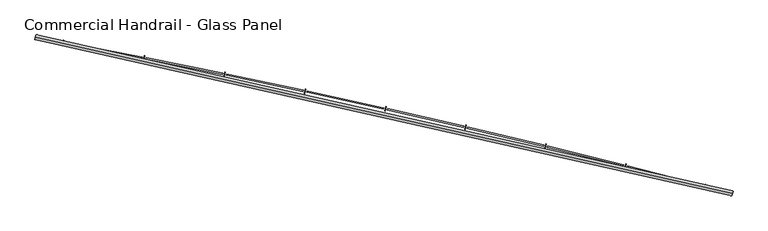
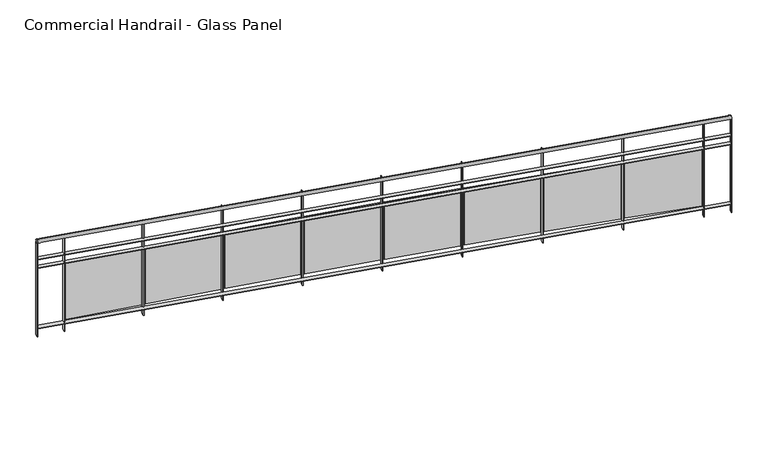
"""IFC4 building model written with IfcOpenShell, lengths in millimetres: railing geometry, Commercial Handrail - Glass Panel."""

from ifc_helpers import new_model, si_unit, point, frame, origin, place, context, project, spatial, polyline, circle_curve, ellipse_curve, trimmed, outline, extrude, source, transform, mapped, element, save
from ifc_brep_helpers import plane_surface, cylinder_surface, revolved_surface, advanced_brep


def commercial_handrail_glass_panel_b9d796ed(model_context):
    return source(origin(), model_context, "Body", "SolidModel", [
        advanced_brep(
        [(147529.5593555, -11171.1779597, 6082.5), (140754.7489821, -9648.612099, 6082.5), (140754.7489821, -9648.612099, 6117.5), (147529.5593555, -11171.1779597, 6117.5)],
        [
            (0, 1, circle_curve(frame((123990.1653691, -100078.2018552, 6082.5), z_axis=(0.0, 0.0, 1.0), x_axis=(0.18228230158229036, 0.9832462369772197, 0.0)), 91970.4407253)),
            (1, 2, ellipse_curve(frame((140754.7489821, -9648.612099, 6100.0), z_axis=(0.9832462369772187, -0.18228230158229697, 0.0), x_axis=(-0.18228230158229694, -0.9832462369772185, 0.0)), 25.0, 17.5)),
            (2, 3, circle_curve(frame((123990.1653691, -100078.2018552, 6117.5), z_axis=(0.0, 0.0, -1.0), x_axis=(0.18228230158229036, 0.9832462369772197, 0.0)), 91970.4407253)),
            (3, 0, ellipse_curve(frame((147529.5593555, -11171.1779597, 6100.0), z_axis=(-0.9666912890096803, 0.25594521240453605, 0.0), x_axis=(-0.255945212404536, -0.96669128900968, 0.0)), 25.0, 17.5)),
            (2, 1, ellipse_curve(frame((140754.7489821, -9648.612099, 6100.0), z_axis=(0.9832462369772187, -0.18228230158229697, 0.0), x_axis=(-0.18228230158229694, -0.9832462369772185, 0.0)), 25.0, 17.5)),
            (0, 3, ellipse_curve(frame((147529.5593555, -11171.1779597, 6100.0), z_axis=(-0.9666912890096803, 0.25594521240453605, 0.0), x_axis=(-0.255945212404536, -0.96669128900968, 0.0)), 25.0, 17.5)),
        ],
        [
            revolved_surface(trimmed(ellipse_curve(frame((140754.7489821, -9648.612099, 6100.0), z_axis=(-0.9832462369772197, 0.18228230158229036, 0.0), x_axis=(0.0, 0.0, -1.0)), 17.5, 25.0), [point((140754.7489821, -9648.612099, 6117.5))], [point((140754.7489821, -9648.612099, 6082.5))], True, "CARTESIAN"), (123990.1653691, -100078.2018552, 6100.0), (0.0, 0.0, -1.0)),
            revolved_surface(trimmed(ellipse_curve(frame((140754.7489821, -9648.612099, 6100.0), z_axis=(-0.9832462369772197, 0.18228230158229036, 0.0), x_axis=(0.0, 0.0, -1.0)), 17.5, 25.0), [point((140754.7489821, -9648.612099, 6082.5))], [point((140754.7489821, -9648.612099, 6117.5))], True, "CARTESIAN"), (123990.1653691, -100078.2018552, 6100.0), (0.0, 0.0, -1.0)),
            plane_surface(frame((140754.7489821, -9648.612099, 6100.0), z_axis=(-0.9832462369772198, 0.1822823015822904, 0.0), x_axis=(0.1822823015822904, 0.9832462369772198, 0.0))),
            plane_surface(frame((147529.5593555, -11171.1779597, 6100.0), z_axis=(0.9666912890096803, -0.25594521240453566, 0.0), x_axis=(0.25594521240453566, 0.9666912890096803, 0.0))),
        ],
        [
            (0, [[1, 2, 3, 4]]),
            (1, [[-3, 5, -1, 6]]),
            (2, [[-2, -5]]),
            (3, [[-6, -4]]),
        ],
    ),
        advanced_brep(
        [(147535.3181228, -11149.4274057, 5900.0), (140758.8503338, -9626.4890586, 5900.0), (140750.6476303, -9670.7351393, 5900.0), (147523.8005882, -11192.9285137, 5900.0), (147535.3181228, -11149.4274057, 5894.0), (140758.8503338, -9626.4890586, 5894.0), (147523.8005882, -11192.9285137, 5894.0), (140750.6476303, -9670.7351393, 5894.0)],
        [
            (0, 1, circle_curve(frame((123990.1653691, -100078.2018552, 5900.0), z_axis=(0.0, 0.0, 1.0), x_axis=(0.18228230158229036, 0.9832462369772197, 0.0)), 91992.9407253)),
            (1, 2),
            (2, 3, circle_curve(frame((123990.1653691, -100078.2018552, 5900.0), z_axis=(0.0, 0.0, -1.0), x_axis=(0.18228230158229036, 0.9832462369772197, 0.0)), 91947.9407253)),
            (3, 0),
            (4, 5, circle_curve(frame((123990.1653691, -100078.2018552, 5894.0), z_axis=(0.0, 0.0, 1.0), x_axis=(0.18228230158229036, 0.9832462369772197, 0.0)), 91992.9407253)),
            (5, 1),
            (0, 4),
            (6, 7, circle_curve(frame((123990.1653691, -100078.2018552, 5894.0), z_axis=(0.0, 0.0, 1.0), x_axis=(0.18228230158229036, 0.9832462369772197, 0.0)), 91947.9407253)),
            (7, 5),
            (4, 6),
            (2, 7),
            (6, 3),
        ],
        [
            plane_surface(frame((123990.1653691, -100078.2018552, 5900.0), z_axis=(0.0, 0.0, 1.0), x_axis=(0.18228230158229036, 0.9832462369772197, 0.0))),
            cylinder_surface(frame((123990.1653691, -100078.2018552, 5900.0), z_axis=(0.0, 0.0, -1.0), x_axis=(0.18228230158229036, 0.9832462369772197, 0.0)), 91992.9407253),
            plane_surface(frame((123990.1653691, -100078.2018552, 5894.0), z_axis=(0.0, 0.0, -1.0), x_axis=(0.18228230158229036, 0.9832462369772197, 0.0))),
            revolved_surface(polyline([(140750.6476302597, -9670.735139244323, 5894.0), (140750.6476302597, -9670.735139244323, 5900.0)]), (123990.1653691, -100078.2018552, 5900.0), (0.0, 0.0, -1.0)),
            plane_surface(frame((140754.7489821, -9648.612099, 5900.0), z_axis=(-0.9832462369772198, 0.1822823015822904, 0.0), x_axis=(0.1822823015822904, 0.9832462369772198, 0.0))),
            plane_surface(frame((147529.5593555, -11171.1779597, 5900.0), z_axis=(0.9666912890096803, -0.25594521240453566, 0.0), x_axis=(0.25594521240453566, 0.9666912890096803, 0.0))),
        ],
        [
            (0, [[1, 2, 3, 4]]),
            (1, [[5, 6, -1, 7]]),
            (2, [[8, 9, -5, 10]]),
            (3, [[-3, 11, -8, 12]]),
            (4, [[-2, -6, -9, -11]]),
            (5, [[-12, -10, -7, -4]]),
        ],
    ),
        advanced_brep(
        [(147535.3181228, -11149.4274057, 5800.0), (140758.8503338, -9626.4890586, 5800.0), (140750.6476303, -9670.7351393, 5800.0), (147523.8005882, -11192.9285137, 5800.0), (147535.3181228, -11149.4274057, 5794.0), (140758.8503338, -9626.4890586, 5794.0), (147523.8005882, -11192.9285137, 5794.0), (140750.6476303, -9670.7351393, 5794.0)],
        [
            (0, 1, circle_curve(frame((123990.1653691, -100078.2018552, 5800.0), z_axis=(0.0, 0.0, 1.0), x_axis=(0.18228230158229036, 0.9832462369772197, 0.0)), 91992.9407253)),
            (1, 2),
            (2, 3, circle_curve(frame((123990.1653691, -100078.2018552, 5800.0), z_axis=(0.0, 0.0, -1.0), x_axis=(0.18228230158229036, 0.9832462369772197, 0.0)), 91947.9407253)),
            (3, 0),
            (4, 5, circle_curve(frame((123990.1653691, -100078.2018552, 5794.0), z_axis=(0.0, 0.0, 1.0), x_axis=(0.18228230158229036, 0.9832462369772197, 0.0)), 91992.9407253)),
            (5, 1),
            (0, 4),
            (6, 7, circle_curve(frame((123990.1653691, -100078.2018552, 5794.0), z_axis=(0.0, 0.0, 1.0), x_axis=(0.18228230158229036, 0.9832462369772197, 0.0)), 91947.9407253)),
            (7, 5),
            (4, 6),
            (2, 7),
            (6, 3),
        ],
        [
            plane_surface(frame((123990.1653691, -100078.2018552, 5800.0), z_axis=(0.0, 0.0, 1.0), x_axis=(0.18228230158229036, 0.9832462369772197, 0.0))),
            cylinder_surface(frame((123990.1653691, -100078.2018552, 5800.0), z_axis=(0.0, 0.0, -1.0), x_axis=(0.18228230158229036, 0.9832462369772197, 0.0)), 91992.9407253),
            plane_surface(frame((123990.1653691, -100078.2018552, 5794.0), z_axis=(0.0, 0.0, -1.0), x_axis=(0.18228230158229036, 0.9832462369772197, 0.0))),
            revolved_surface(polyline([(140750.6476302597, -9670.735139244323, 5794.0), (140750.6476302597, -9670.735139244323, 5800.0)]), (123990.1653691, -100078.2018552, 5800.0), (0.0, 0.0, -1.0)),
            plane_surface(frame((140754.7489821, -9648.612099, 5800.0), z_axis=(-0.9832462369772198, 0.1822823015822904, 0.0), x_axis=(0.1822823015822904, 0.9832462369772198, 0.0))),
            plane_surface(frame((147529.5593555, -11171.1779597, 5800.0), z_axis=(0.9666912890096803, -0.25594521240453566, 0.0), x_axis=(0.25594521240453566, 0.9666912890096803, 0.0))),
        ],
        [
            (0, [[1, 2, 3, 4]]),
            (1, [[5, 6, -1, 7]]),
            (2, [[8, 9, -5, 10]]),
            (3, [[-3, 11, -8, 12]]),
            (4, [[-2, -6, -9, -11]]),
            (5, [[-12, -10, -7, -4]]),
        ],
    ),
        advanced_brep(
        [(147535.3181228, -11149.4274057, 5100.0), (140758.8503338, -9626.4890586, 5100.0), (140750.6476303, -9670.7351393, 5100.0), (147523.8005882, -11192.9285137, 5100.0), (147535.3181228, -11149.4274057, 5094.0), (140758.8503338, -9626.4890586, 5094.0), (147523.8005882, -11192.9285137, 5094.0), (140750.6476303, -9670.7351393, 5094.0)],
        [
            (0, 1, circle_curve(frame((123990.1653691, -100078.2018552, 5100.0), z_axis=(0.0, 0.0, 1.0), x_axis=(0.18228230158229036, 0.9832462369772197, 0.0)), 91992.9407253)),
            (1, 2),
            (2, 3, circle_curve(frame((123990.1653691, -100078.2018552, 5100.0), z_axis=(0.0, 0.0, -1.0), x_axis=(0.18228230158229036, 0.9832462369772197, 0.0)), 91947.9407253)),
            (3, 0),
            (4, 5, circle_curve(frame((123990.1653691, -100078.2018552, 5094.0), z_axis=(0.0, 0.0, 1.0), x_axis=(0.18228230158229036, 0.9832462369772197, 0.0)), 91992.9407253)),
            (5, 1),
            (0, 4),
            (6, 7, circle_curve(frame((123990.1653691, -100078.2018552, 5094.0), z_axis=(0.0, 0.0, 1.0), x_axis=(0.18228230158229036, 0.9832462369772197, 0.0)), 91947.9407253)),
            (7, 5),
            (4, 6),
            (2, 7),
            (6, 3),
        ],
        [
            plane_surface(frame((123990.1653691, -100078.2018552, 5100.0), z_axis=(0.0, 0.0, 1.0), x_axis=(0.18228230158229036, 0.9832462369772197, 0.0))),
            cylinder_surface(frame((123990.1653691, -100078.2018552, 5100.0), z_axis=(0.0, 0.0, -1.0), x_axis=(0.18228230158229036, 0.9832462369772197, 0.0)), 91992.9407253),
            plane_surface(frame((123990.1653691, -100078.2018552, 5094.0), z_axis=(0.0, 0.0, -1.0), x_axis=(0.18228230158229036, 0.9832462369772197, 0.0))),
            revolved_surface(polyline([(140750.6476302597, -9670.735139244323, 5094.0), (140750.6476302597, -9670.735139244323, 5100.0)]), (123990.1653691, -100078.2018552, 5100.0), (0.0, 0.0, -1.0)),
            plane_surface(frame((140754.7489821, -9648.612099, 5100.0), z_axis=(-0.9832462369772198, 0.1822823015822904, 0.0), x_axis=(0.1822823015822904, 0.9832462369772198, 0.0))),
            plane_surface(frame((147529.5593555, -11171.1779597, 5100.0), z_axis=(0.9666912890096803, -0.25594521240453566, 0.0), x_axis=(0.25594521240453566, 0.9666912890096803, 0.0))),
        ],
        [
            (0, [[1, 2, 3, 4]]),
            (1, [[5, 6, -1, 7]]),
            (2, [[8, 9, -5, 10]]),
            (3, [[-3, 11, -8, 12]]),
            (4, [[-2, -6, -9, -11]]),
            (5, [[-12, -10, -7, -4]]),
        ],
    ),
        extrude(outline(polyline([(147257.221986, -11122.7754383), (147268.6104754, -11079.2403685), (147274.4151514, -11080.7588337), (147263.0266619, -11124.2939036), (147257.221986, -11122.7754383)])), frame((0.0, 0.0, 5000.0), z_axis=(0.0, 0.0, 1.0), x_axis=(1.0, 0.0, 0.0)), (0.0, 0.0, 1.0), 1082.1192282),
        extrude(outline(polyline([(146512.0701942, -10900.9970799), (147248.1587203, -11090.1363983), (147245.17231, -11101.7588487), (146509.0837839, -10912.6195303), (146512.0701942, -10900.9970799)])), frame((0.0, 0.0, 5120.0), z_axis=(0.0, 0.0, 1.0), x_axis=(1.0, 0.0, 0.0)), (0.0, 0.0, 1.0), 660.0),
        extrude(outline(polyline([(146482.5774638, -10923.7560279), (146493.5868397, -10880.1235441), (146499.4045042, -10881.5914608), (146488.3951283, -10925.2239446), (146482.5774638, -10923.7560279)])), frame((0.0, 0.0, 5000.0), z_axis=(0.0, 0.0, 1.0), x_axis=(1.0, 0.0, 0.0)), (0.0, 0.0, 1.0), 1082.1192282),
        extrude(outline(polyline([(145735.524759, -10708.4676411), (146473.2306356, -10891.1970579), (146470.3454342, -10902.8450454), (145732.6395577, -10720.1156287), (145735.524759, -10708.4676411)])), frame((0.0, 0.0, 5120.0), z_axis=(0.0, 0.0, 1.0), x_axis=(1.0, 0.0, 0.0)), (0.0, 0.0, 1.0), 660.0),
        extrude(outline(polyline([(145706.2311094, -10731.4822658), (145716.8605387, -10687.7556694), (145722.6907516, -10689.1729267), (145712.0613222, -10732.8995231), (145706.2311094, -10731.4822658)])), frame((0.0, 0.0, 5000.0), z_axis=(0.0, 0.0, 1.0), x_axis=(1.0, 0.0, 0.0)), (0.0, 0.0, 1.0), 1082.1192282),
        extrude(outline(polyline([(144957.3340156, -10522.7001401), (145696.6014259, -10699.0058295), (145693.8176518, -10710.6784728), (144954.5502416, -10534.3727835), (144957.3340156, -10522.7001401)])), frame((0.0, 0.0, 5120.0), z_axis=(0.0, 0.0, 1.0), x_axis=(1.0, 0.0, 0.0)), (0.0, 0.0, 1.0), 660.0),
        extrude(outline(polyline([(144928.2416631, -10545.9687002), (144938.4903417, -10502.1512997), (144944.3326617, -10503.5177901), (144934.0839832, -10547.3351907), (144928.2416631, -10545.9687002)])), frame((0.0, 0.0, 5000.0), z_axis=(0.0, 0.0, 1.0), x_axis=(1.0, 0.0, 0.0)), (0.0, 0.0, 1.0), 1082.1192282),
        extrude(outline(polyline([(144177.5568437, -10343.7086325), (144918.3298529, -10513.5772547), (144915.6477168, -10525.2736707), (144174.8747076, -10355.4050484), (144177.5568437, -10343.7086325)])), frame((0.0, 0.0, 5120.0), z_axis=(0.0, 0.0, 1.0), x_axis=(1.0, 0.0, 0.0)), (0.0, 0.0, 1.0), 660.0),
        extrude(outline(polyline([(144148.6679896, -10367.2293674), (144158.5351419, -10323.324478), (144164.3891271, -10324.6400983), (144154.5219749, -10368.5449877), (144148.6679896, -10367.2293674)])), frame((0.0, 0.0, 5000.0), z_axis=(0.0, 0.0, 1.0), x_axis=(1.0, 0.0, 0.0)), (0.0, 0.0, 1.0), 1082.1192282),
        extrude(outline(polyline([(143396.2522433, -10171.5066611), (144138.4748027, -10334.9253636), (144135.8945074, -10346.6446671), (143393.671948, -10183.2259647), (143396.2522433, -10171.5066611)])), frame((0.0, 0.0, 5120.0), z_axis=(0.0, 0.0, 1.0), x_axis=(1.0, 0.0, 0.0)), (0.0, 0.0, 1.0), 660.0),
        extrude(outline(polyline([(143367.5690734, -10195.2777912), (143377.0539528, -10151.288735), (143382.9191603, -10152.5533856), (143373.4342809, -10196.5424418), (143367.5690734, -10195.2777912)])), frame((0.0, 0.0, 5000.0), z_axis=(0.0, 0.0, 1.0), x_axis=(1.0, 0.0, 0.0)), (0.0, 0.0, 1.0), 1082.1192282),
        extrude(outline(polyline([(142613.4793297, -10006.1072553), (143357.0952809, -10163.0636733), (143354.6170217, -10174.8049778), (142611.0010705, -10017.8485598), (142613.4793297, -10006.1072553)])), frame((0.0, 0.0, 5120.0), z_axis=(0.0, 0.0, 1.0), x_axis=(1.0, 0.0, 0.0)), (0.0, 0.0, 1.0), 660.0),
        extrude(outline(polyline([(142585.0040143, -10030.126982), (142594.1059033, -9986.0570873), (142599.9818892, -9987.2706725), (142590.8800002, -10031.3405672), (142585.0040143, -10030.126982)])), frame((0.0, 0.0, 5000.0), z_axis=(0.0, 0.0, 1.0), x_axis=(1.0, 0.0, 0.0)), (0.0, 0.0, 1.0), 1082.1192282),
        extrude(outline(polyline([(141829.2973297, -9847.5229296), (142574.2504088, -9998.0051873), (142571.8743732, -10009.7676044), (141826.921294, -9859.2853466), (141829.2973297, -9847.5229296)])), frame((0.0, 0.0, 5120.0), z_axis=(0.0, 0.0, 1.0), x_axis=(1.0, 0.0, 0.0)), (0.0, 0.0, 1.0), 660.0),
        extrude(outline(polyline([(141801.0320231, -9871.7894354), (141809.750233, -9827.6420367), (141815.6365528, -9828.8044646), (141806.918343, -9872.9518634), (141801.0320231, -9871.7894354)])), frame((0.0, 0.0, 5000.0), z_axis=(0.0, 0.0, 1.0), x_axis=(1.0, 0.0, 0.0)), (0.0, 0.0, 1.0), 1082.1192282),
        extrude(outline(polyline([(141043.7655762, -9695.7656828), (141789.9994183, -9839.7623945), (141787.725786, -9851.5450341), (141041.491944, -9707.5483224), (141043.7655762, -9695.7656828)])), frame((0.0, 0.0, 5120.0), z_axis=(0.0, 0.0, 1.0), x_axis=(1.0, 0.0, 0.0)), (0.0, 0.0, 1.0), 660.0),
        extrude(outline(polyline([(141015.7124173, -9720.2771318), (141024.0462883, -9676.0555692), (141029.9424967, -9677.166752), (141021.6086256, -9721.3883146), (141015.7124173, -9720.2771318)])), frame((0.0, 0.0, 5000.0), z_axis=(0.0, 0.0, 1.0), x_axis=(1.0, 0.0, 0.0)), (0.0, 0.0, 1.0), 1082.1192282),
        extrude(outline(polyline([(147520.9005143, -11192.1606781), (147532.4180489, -11148.6595701), (147538.2181966, -11150.1952413), (147526.7006621, -11193.6963494), (147520.9005143, -11192.1606781)])), frame((0.0, 0.0, 5000.0), z_axis=(0.0, 0.0, 1.0), x_axis=(1.0, 0.0, 0.0)), (0.0, 0.0, 1.0), 1082.1192282),
        extrude(outline(polyline([(140747.6978916, -9670.1882924), (140755.9005951, -9625.9422117), (140761.8000726, -9627.0359055), (140753.597369, -9671.2819862), (140747.6978916, -9670.1882924)])), frame((0.0, 0.0, 5000.0), z_axis=(0.0, 0.0, 1.0), x_axis=(1.0, 0.0, 0.0)), (0.0, 0.0, 1.0), 1082.1192282),
    ])


if __name__ == "__main__":
    model = new_model("IFC4")
    model_context = context("Model", 3, world=origin())
    ifc_project = project(units=[si_unit("LENGTHUNIT", "METRE", prefix="MILLI")], contexts=[model_context])
    site = spatial("IfcSite", under=ifc_project)
    building = spatial("IfcBuilding", under=site)
    placement = place(None, origin())
    commercial_handrail_glass_panel_shape = commercial_handrail_glass_panel_b9d796ed(model_context)
    element("IfcRailing", 1, ObjectType="Commercial Handrail - Glass Panel", at=placement, inside=building, context=model_context, shape_type="MappedRepresentation", body=[
        mapped(commercial_handrail_glass_panel_shape, transform((0.0, 0.0, 0.0), x_axis=(1.0, 0.0, 0.0), y_axis=(0.0, 1.0, 0.0), z_axis=(0.0, 0.0, 1.0))),
    ])
    save(model, "model.ifc")
